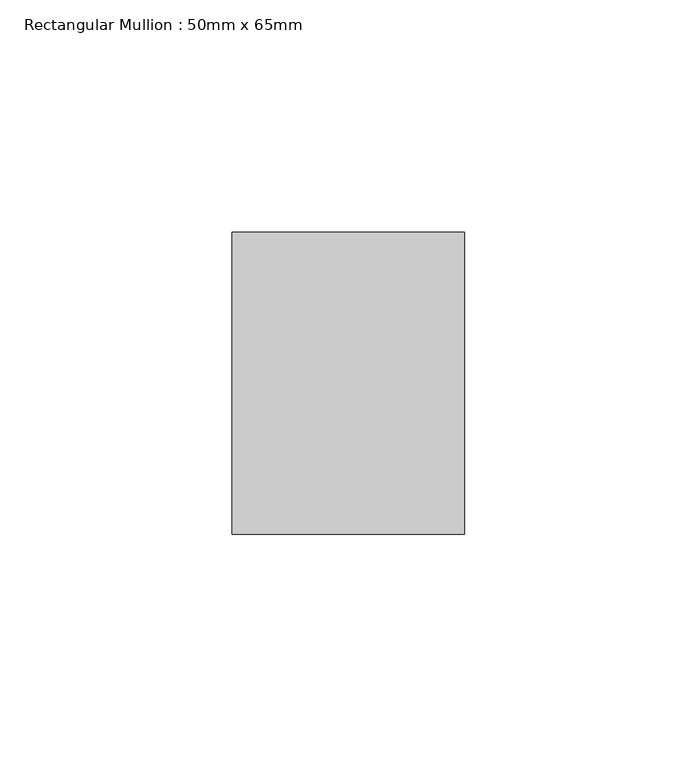
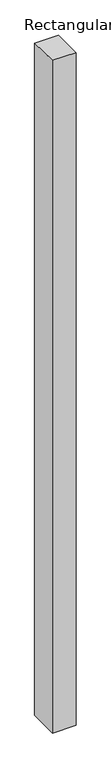
"""IFC4 building model written with IfcOpenShell, lengths in millimetres: member geometry, Rectangular Mullion : 50mm x 65mm."""

from ifc_helpers import new_model, si_unit, frame, origin, place, context, project, spatial, polyline, outline, extrude, source, transform, mapped, element, save


def rectangular_mullion_50mm_x_65mm_2bf3c717(model_context):
    return source(origin(), model_context, "Body", "SweptSolid", [
        extrude(outline(polyline([(-32.5, 0.4073267), (32.5, -0.4073268), (32.5, -1499.6948121), (-32.5, -1500.3062614), (-32.5, 0.4073267)])), frame((-25.0, 0.0, 0.0), z_axis=(1.0, 0.0, 0.0), x_axis=(0.0, 1.0, 0.0)), (0.0, 0.0, 1.0), 50.0),
    ])


if __name__ == "__main__":
    model = new_model("IFC4")
    model_context = context("Model", 3, world=origin())
    ifc_project = project(units=[si_unit("LENGTHUNIT", "METRE", prefix="MILLI")], contexts=[model_context])
    site = spatial("IfcSite", under=ifc_project)
    building = spatial("IfcBuilding", under=site)
    placement = place(None, origin())
    rectangular_mullion_50mm_x_65mm_shape = rectangular_mullion_50mm_x_65mm_2bf3c717(model_context)
    element("IfcMember", 1, ObjectType="Rectangular Mullion : 50mm x 65mm", at=placement, inside=building, context=model_context, shape_type="MappedRepresentation", body=[
        mapped(rectangular_mullion_50mm_x_65mm_shape, transform((0.0, 0.0, 0.0), x_axis=(1.0, 0.0, 0.0), y_axis=(0.0, 1.0, 0.0), z_axis=(0.0, 0.0, 1.0))),
    ])
    save(model, "model.ifc")
